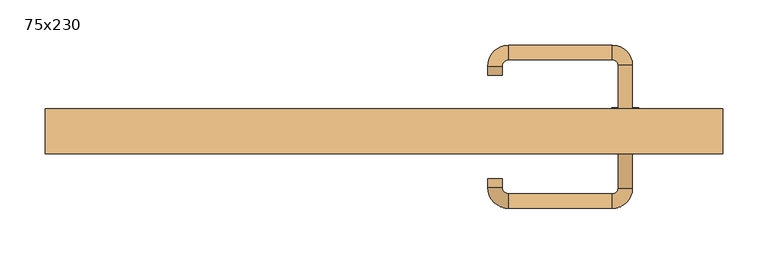
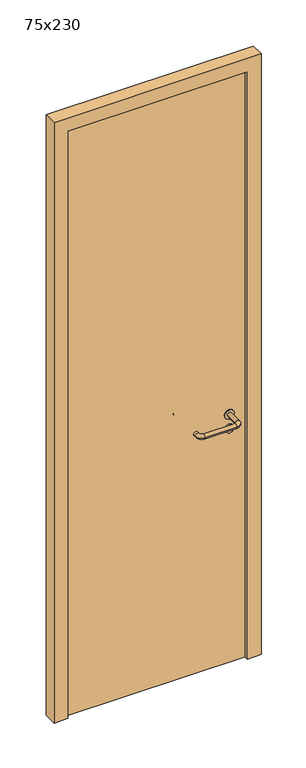
"""IFC4 building model written with IfcOpenShell, lengths in millimetres: door geometry, 75x230."""

from ifc_helpers import new_model, si_unit, point, frame, frame_2d, origin, origin_with_axes, place, context, project, spatial, polyline, circle_curve, ellipse_curve, trimmed, segment, composite_curve, outline, extrude, source, transform, mapped, element, save
from ifc_brep_helpers import plane_surface, cylinder_surface, revolved_surface, advanced_brep


def door_75x230_545e2dc5(model_context):
    return source(origin(), model_context, "Body", "SolidModel", [
        extrude(outline(composite_curve([segment(trimmed(circle_curve(frame_2d((897.3605726, 267.0)), 15.0), [point((897.3605726, 282.0))], [point((897.3605726, 252.0))], False, "CARTESIAN"), True, "CONTINUOUS"), segment(trimmed(circle_curve(frame_2d((897.3605726, 267.0)), 15.0), [point((897.3605726, 252.0))], [point((897.3605726, 282.0))], False, "CARTESIAN"), True, "CONTINUOUS")], self_intersect=False), holes=[composite_curve([segment(trimmed(circle_curve(frame_2d((892.5833211, 266.9398032)), 2.0), [point((892.5833211, 268.9398032))], [point((892.5833211, 264.9398032))], True, "CARTESIAN"), True, "CONTINUOUS"), segment(polyline([(892.5833211, 264.9398032), (902.5833211, 264.9398032)]), True, "CONTINUOUS"), segment(trimmed(circle_curve(frame_2d((902.5833211, 266.9398032)), 2.0), [point((902.5833211, 264.9398032))], [point((902.5833211, 268.9398032))], True, "CARTESIAN"), True, "CONTINUOUS"), segment(polyline([(902.5833211, 268.9398032), (892.5833211, 268.9398032)]), True, "CONTINUOUS")], self_intersect=False)]), frame((0.0, 8.65, 0.0), z_axis=(0.0, 1.0, 0.0), x_axis=(0.0, 0.0, 1.0)), (0.0, 0.0, 1.0), 6.35),
        extrude(outline(composite_curve([segment(trimmed(circle_curve(frame_2d((950.0, 267.0)), 17.526), [point((950.0, 284.526))], [point((950.0, 249.474))], False, "CARTESIAN"), True, "CONTINUOUS"), segment(trimmed(circle_curve(frame_2d((950.0, 267.0)), 17.526), [point((950.0, 249.474))], [point((950.0, 284.526))], False, "CARTESIAN"), True, "CONTINUOUS")], self_intersect=False)), frame((0.0, 11.825, 0.0), z_axis=(0.0, 1.0, 0.0), x_axis=(0.0, 0.0, 1.0)), (0.0, 0.0, 1.0), 3.175),
        advanced_brep(
        [(275.0, 15.0, 950.0), (259.0, 15.0, 950.0), (259.0, -38.0, 950.0), (275.0, -38.0, 950.0), (252.8578644, -44.1421356, 950.0), (252.8578644, -60.1421356, 950.0), (137.8578644, -44.1421356, 950.0), (137.8578644, -60.1421356, 950.0), (131.008622, -37.2928932, 950.0), (115.008622, -37.2928932, 950.0), (115.008622, -27.2928932, 950.0), (131.008622, -27.2928932, 950.0)],
        [
            (0, 1, circle_curve(frame((267.0, 15.0, 950.0), z_axis=(0.0, 1.0, 0.0), x_axis=(-1.0, 0.0, 0.0)), 8.0)),
            (1, 0, circle_curve(frame((267.0, 15.0, 950.0), z_axis=(0.0, 1.0, 0.0), x_axis=(-1.0, 0.0, 0.0)), 8.0)),
            (1, 2),
            (2, 3, circle_curve(frame((267.0, -38.0, 950.0), z_axis=(0.0, 1.0, 0.0), x_axis=(-1.0, 0.0, 0.0)), 8.0)),
            (3, 0),
            (3, 2, circle_curve(frame((267.0, -38.0, 950.0), z_axis=(0.0, 1.0, 0.0), x_axis=(-1.0, 0.0, 0.0)), 8.0)),
            (4, 5, circle_curve(frame((252.8578644, -52.1421356, 950.0), z_axis=(1.0, 0.0, 0.0), x_axis=(0.0, 1.0, 0.0)), 8.0)),
            (5, 3, circle_curve(frame((252.8578644, -38.0, 950.0), z_axis=(0.0, 0.0, 1.0), x_axis=(1.0, 0.0, 0.0)), 22.1421356)),
            (2, 4, circle_curve(frame((252.8578644, -38.0, 950.0), z_axis=(0.0, 0.0, -1.0), x_axis=(1.0, 0.0, 0.0)), 6.1421356)),
            (5, 4, circle_curve(frame((252.8578644, -52.1421356, 950.0), z_axis=(1.0, 0.0, 0.0), x_axis=(0.0, 1.0, 0.0)), 8.0)),
            (4, 6),
            (6, 7, circle_curve(frame((137.8578644, -52.1421356, 950.0), z_axis=(1.0, 0.0, 0.0), x_axis=(0.0, 1.0, 0.0)), 8.0)),
            (7, 5),
            (7, 6, circle_curve(frame((137.8578644, -52.1421356, 950.0), z_axis=(1.0, 0.0, 0.0), x_axis=(0.0, 1.0, 0.0)), 8.0)),
            (8, 9, circle_curve(frame((123.008622, -37.2928932, 950.0), z_axis=(0.0, -1.0, 0.0), x_axis=(1.0, 0.0, 0.0)), 8.0)),
            (9, 7, circle_curve(frame((137.8578644, -37.2928932, 950.0), z_axis=(0.0, 0.0, 1.0), x_axis=(0.0, -1.0, 0.0)), 22.8492424)),
            (6, 8, circle_curve(frame((137.8578644, -37.2928932, 950.0), z_axis=(0.0, 0.0, -1.0), x_axis=(0.0, -1.0, 0.0)), 6.8492424)),
            (9, 8, circle_curve(frame((123.008622, -37.2928932, 950.0), z_axis=(0.0, -1.0, 0.0), x_axis=(1.0, 0.0, 0.0)), 8.0)),
            (10, 11, circle_curve(frame((123.008622, -27.2928932, 950.0), z_axis=(0.0, 1.0, 0.0), x_axis=(1.0, 0.0, 0.0)), 8.0)),
            (11, 10, circle_curve(frame((123.008622, -27.2928932, 950.0), z_axis=(0.0, 1.0, 0.0), x_axis=(1.0, 0.0, 0.0)), 8.0)),
            (8, 11),
            (10, 9),
        ],
        [
            plane_surface(frame((267.0, 15.0, 170.0), z_axis=(0.0, 1.0, 0.0), x_axis=(0.0, 0.0, 1.0))),
            cylinder_surface(frame((267.0, 15.0, 950.0), z_axis=(0.0, 1.0, 0.0), x_axis=(-1.0, 0.0, 0.0)), 8.0),
            revolved_surface(trimmed(ellipse_curve(frame((267.0, -38.0, 950.0), z_axis=(0.0, -1.0, 0.0), x_axis=(-1.0, 0.0, 0.0)), 8.0, 8.0), [point((275.0, -38.0, 950.0))], [point((259.0, -38.0, 950.0))], True, "CARTESIAN"), (252.8578644, -38.0, 170.0), (0.0, 0.0, 1.0)),
            revolved_surface(trimmed(ellipse_curve(frame((267.0, -38.0, 950.0), z_axis=(0.0, -1.0, 0.0), x_axis=(-1.0, 0.0, 0.0)), 8.0, 8.0), [point((259.0, -38.0, 950.0))], [point((275.0, -38.0, 950.0))], True, "CARTESIAN"), (252.8578644, -38.0, 170.0), (0.0, 0.0, 1.0)),
            cylinder_surface(frame((252.8578644, -52.1421356, 950.0), z_axis=(1.0, 0.0, 0.0), x_axis=(0.0, 1.0, 0.0)), 8.0),
            revolved_surface(trimmed(ellipse_curve(frame((137.8578644, -52.1421356, 950.0), z_axis=(-1.0, 0.0, 0.0), x_axis=(0.0, 1.0, 0.0)), 8.0, 8.0), [point((137.8578644, -60.1421356, 950.0))], [point((137.8578644, -44.1421356, 950.0))], True, "CARTESIAN"), (137.8578644, -37.2928932, 170.0), (0.0, 0.0, 1.0)),
            revolved_surface(trimmed(ellipse_curve(frame((137.8578644, -52.1421356, 950.0), z_axis=(-1.0, 0.0, 0.0), x_axis=(0.0, 1.0, 0.0)), 8.0, 8.0), [point((137.8578644, -44.1421356, 950.0))], [point((137.8578644, -60.1421356, 950.0))], True, "CARTESIAN"), (137.8578644, -37.2928932, 170.0), (0.0, 0.0, 1.0)),
            plane_surface(frame((123.008622, -27.2928932, 170.0), z_axis=(0.0, 1.0, 0.0), x_axis=(0.0, 0.0, 1.0))),
            cylinder_surface(frame((123.008622, -37.2928932, 950.0), z_axis=(0.0, -1.0, 0.0), x_axis=(1.0, 0.0, 0.0)), 8.0),
        ],
        [
            (0, [[1, 2]]),
            (1, [[3, 4, 5, -2]]),
            (1, [[-5, 6, -3, -1]]),
            (2, [[7, 8, -4, 9]]),
            (3, [[10, -9, -6, -8]]),
            (4, [[11, 12, 13, -7]]),
            (4, [[-13, 14, -11, -10]]),
            (5, [[15, 16, -12, 17]]),
            (6, [[18, -17, -14, -16]]),
            (7, [[19, 20]]),
            (8, [[21, -19, 22, -15]]),
            (8, [[-22, -20, -21, -18]]),
        ],
    ),
        extrude(outline(composite_curve([segment(trimmed(circle_curve(frame_2d((0.0, -15.0)), 15.0), [point((0.0, -30.0))], [point((0.0, 0.0))], False, "CARTESIAN"), True, "CONTINUOUS"), segment(trimmed(circle_curve(frame_2d((0.0, -15.0)), 15.0), [point((0.0, 0.0))], [point((0.0, -30.0))], False, "CARTESIAN"), True, "CONTINUOUS")], self_intersect=False), holes=[composite_curve([segment(trimmed(circle_curve(frame_2d((4.7772515, -14.9398032)), 2.0), [point((4.7772515, -16.9398032))], [point((4.7772515, -12.9398032))], True, "CARTESIAN"), True, "CONTINUOUS"), segment(polyline([(4.7772515, -12.9398032), (-5.2227485, -12.9398032)]), True, "CONTINUOUS"), segment(trimmed(circle_curve(frame_2d((-5.2227485, -14.9398032)), 2.0), [point((-5.2227485, -12.9398032))], [point((-5.2227485, -16.9398032))], True, "CARTESIAN"), True, "CONTINUOUS"), segment(polyline([(-5.2227485, -16.9398032), (4.7772515, -16.9398032)]), True, "CONTINUOUS")], self_intersect=False)]), frame((252.0, 45.0, 897.3605726), z_axis=(1.8870575173328306e-12, 1.0, 0.0), x_axis=(0.0, 0.0, -1.0)), (0.0, 0.0, 1.0), 6.35),
        extrude(outline(composite_curve([segment(trimmed(circle_curve(frame_2d((0.0, -17.526)), 17.526), [point((0.0, -35.052))], [point((0.0, 0.0))], False, "CARTESIAN"), True, "CONTINUOUS"), segment(trimmed(circle_curve(frame_2d((0.0, -17.526)), 17.526), [point((0.0, 0.0))], [point((0.0, -35.052))], False, "CARTESIAN"), True, "CONTINUOUS")], self_intersect=False)), frame((249.474, 45.0, 950.0), z_axis=(1.8870575173328306e-12, 1.0, 0.0), x_axis=(0.0, 0.0, -1.0)), (0.0, 0.0, 1.0), 3.175),
        advanced_brep(
        [(275.0, 45.0, 950.0), (259.0, 45.0, 950.0), (275.0, 98.0, 950.0), (259.0, 98.0, 950.0), (252.8578644, 104.1421356, 950.0), (252.8578644, 120.1421356, 950.0), (137.8578644, 120.1421356, 950.0), (137.8578644, 104.1421356, 950.0), (131.008622, 97.2928932, 950.0), (115.008622, 97.2928932, 950.0), (115.008622, 87.2928932, 950.0), (131.008622, 87.2928932, 950.0)],
        [
            (0, 1, circle_curve(frame((267.0, 45.0, 950.0), z_axis=(-1.888672253512351e-12, -1.0, 0.0), x_axis=(-1.0, 1.888672253512351e-12, 0.0)), 8.0)),
            (1, 0, circle_curve(frame((267.0, 45.0, 950.0), z_axis=(-1.888672253512351e-12, -1.0, 0.0), x_axis=(-1.0, 1.888672253512351e-12, 0.0)), 8.0)),
            (0, 2),
            (2, 3, circle_curve(frame((267.0, 98.0, 950.0), z_axis=(-1.888672253512351e-12, -1.0, 0.0), x_axis=(-1.0, 1.888672253512351e-12, 0.0)), 8.0)),
            (3, 1),
            (3, 2, circle_curve(frame((267.0, 98.0, 950.0), z_axis=(-1.888672253512351e-12, -1.0, 0.0), x_axis=(-1.0, 1.888672253512351e-12, 0.0)), 8.0)),
            (4, 3, circle_curve(frame((252.8578644, 98.0, 950.0), z_axis=(0.0, 0.0, -1.0), x_axis=(1.0, -1.880717803715015e-12, 0.0)), 6.1421356)),
            (2, 5, circle_curve(frame((252.8578644, 98.0, 950.0), z_axis=(0.0, 0.0, 1.0), x_axis=(1.0, -1.880717803715015e-12, 0.0)), 22.1421356)),
            (5, 4, circle_curve(frame((252.8578644, 112.1421356, 950.0), z_axis=(1.0, -1.913702061528922e-12, 0.0), x_axis=(-1.913702061528922e-12, -1.0, 0.0)), 8.0)),
            (4, 5, circle_curve(frame((252.8578644, 112.1421356, 950.0), z_axis=(1.0, -1.913702061528922e-12, 0.0), x_axis=(-1.913702061528922e-12, -1.0, 0.0)), 8.0)),
            (5, 6),
            (6, 7, circle_curve(frame((137.8578644, 112.1421356, 950.0), z_axis=(1.0, -1.913719828541269e-12, 0.0), x_axis=(-1.913719828541269e-12, -1.0, 0.0)), 8.0)),
            (7, 4),
            (7, 6, circle_curve(frame((137.8578644, 112.1421356, 950.0), z_axis=(1.0, -1.913719828541269e-12, 0.0), x_axis=(-1.913719828541269e-12, -1.0, 0.0)), 8.0)),
            (8, 7, circle_curve(frame((137.8578644, 97.2928932, 950.0), z_axis=(0.0, 0.0, -1.0), x_axis=(1.9120873253494017e-12, 1.0, 0.0)), 6.8492424)),
            (6, 9, circle_curve(frame((137.8578644, 97.2928932, 950.0), z_axis=(0.0, 0.0, 1.0), x_axis=(1.9120873253494017e-12, 1.0, 0.0)), 22.8492424)),
            (9, 8, circle_curve(frame((123.008622, 97.2928932, 950.0), z_axis=(1.890670654956676e-12, 1.0, 0.0), x_axis=(1.0, -1.890670654956676e-12, 0.0)), 8.0)),
            (8, 9, circle_curve(frame((123.008622, 97.2928932, 950.0), z_axis=(1.890226565746826e-12, 1.0, 0.0), x_axis=(1.0, -1.890226565746826e-12, 0.0)), 8.0)),
            (10, 11, circle_curve(frame((123.008622, 87.2928932, 950.0), z_axis=(-1.8903642334018795e-12, -1.0, 0.0), x_axis=(1.0, -1.8903642334018795e-12, 0.0)), 8.0)),
            (11, 10, circle_curve(frame((123.008622, 87.2928932, 950.0), z_axis=(-1.8903642334018795e-12, -1.0, 0.0), x_axis=(1.0, -1.8903642334018795e-12, 0.0)), 8.0)),
            (9, 10),
            (11, 8),
        ],
        [
            plane_surface(frame((267.0, 45.0, 170.0), z_axis=(-1.8870575173328306e-12, -1.0, 0.0), x_axis=(0.0, 0.0, 1.0))),
            cylinder_surface(frame((267.0, 45.0, 950.0), z_axis=(-1.888672253512351e-12, -1.0, 0.0), x_axis=(-1.0, 1.888672253512351e-12, 0.0)), 8.0),
            revolved_surface(trimmed(ellipse_curve(frame((267.0, 98.0, 950.0), z_axis=(-1.8823325398945356e-12, -1.0, 0.0), x_axis=(-1.0, 1.8823325398945356e-12, 0.0)), 8.0, 8.0), [point((275.0, 98.0, 950.0))], [point((259.0, 98.0, 950.0))], True, "CARTESIAN"), (252.8578644, 98.0, 170.0), (0.0, 0.0, 1.0)),
            revolved_surface(trimmed(ellipse_curve(frame((267.0, 98.0, 950.0), z_axis=(-1.8823325398945356e-12, -1.0, 0.0), x_axis=(-1.0, 1.8823325398945356e-12, 0.0)), 8.0, 8.0), [point((259.0, 98.0, 950.0))], [point((275.0, 98.0, 950.0))], True, "CARTESIAN"), (252.8578644, 98.0, 170.0), (0.0, 0.0, 1.0)),
            cylinder_surface(frame((252.8578644, 112.1421356, 950.0), z_axis=(1.0, -1.913719828541269e-12, 0.0), x_axis=(-1.913719828541269e-12, -1.0, 0.0)), 8.0),
            revolved_surface(trimmed(ellipse_curve(frame((137.8578644, 112.1421356, 950.0), z_axis=(1.0, -1.913702061528922e-12, 0.0), x_axis=(-1.913702061528922e-12, -1.0, 0.0)), 8.0, 8.0), [point((137.8578644, 120.1421356, 950.0))], [point((137.8578644, 104.1421356, 950.0))], True, "CARTESIAN"), (137.8578644, 97.2928932, 170.0), (0.0, 0.0, 1.0)),
            revolved_surface(trimmed(ellipse_curve(frame((137.8578644, 112.1421356, 950.0), z_axis=(1.0, -1.913702061528922e-12, 0.0), x_axis=(-1.913702061528922e-12, -1.0, 0.0)), 8.0, 8.0), [point((137.8578644, 104.1421356, 950.0))], [point((137.8578644, 120.1421356, 950.0))], True, "CARTESIAN"), (137.8578644, 97.2928932, 170.0), (0.0, 0.0, 1.0)),
            plane_surface(frame((123.008622, 87.2928932, 170.0), z_axis=(-1.8887494972223595e-12, -1.0, 0.0), x_axis=(0.0, 0.0, 1.0))),
            cylinder_surface(frame((123.008622, 97.2928932, 950.0), z_axis=(1.8903642334018795e-12, 1.0, 0.0), x_axis=(1.0, -1.8903642334018795e-12, 0.0)), 8.0),
        ],
        [
            (0, [[1, 2]]),
            (1, [[-1, 3, 4, 5]]),
            (1, [[-2, -5, 6, -3]]),
            (2, [[7, -4, 8, 9]]),
            (3, [[-8, -6, -7, 10]]),
            (4, [[-9, 11, 12, 13]]),
            (4, [[-10, -13, 14, -11]]),
            (5, [[15, -12, 16, 17]]),
            (6, [[-16, -14, -15, 18]]),
            (7, [[19, 20]]),
            (8, [[-17, 21, -20, 22]]),
            (8, [[-18, -22, -19, -21]]),
        ],
    ),
        extrude(outline(polyline([(2250.0, 325.0), (0.0, 325.0), (0.0, 375.0), (2300.0, 375.0), (2300.0, -375.0), (0.0, -375.0), (0.0, -325.0), (2250.0, -325.0), (2250.0, 325.0)])), frame((0.0, 0.0, 0.0), z_axis=(0.0, 1.0, 0.0), x_axis=(0.0, 0.0, 1.0)), (0.0, 0.0, 1.0), 50.0),
        extrude(outline(polyline([(-325.0, 45.0), (325.0, 45.0), (325.0, 15.0), (-325.0, 15.0), (-325.0, 45.0)])), origin_with_axes(), (0.0, 0.0, 1.0), 2250.0),
    ])


if __name__ == "__main__":
    model = new_model("IFC4")
    model_context = context("Model", 3, world=origin())
    ifc_project = project(units=[si_unit("LENGTHUNIT", "METRE", prefix="MILLI")], contexts=[model_context])
    site = spatial("IfcSite", under=ifc_project)
    building = spatial("IfcBuilding", under=site)
    placement = place(None, origin())
    door_75x230_shape = door_75x230_545e2dc5(model_context)
    element("IfcDoor", 1, ObjectType="75x230", at=placement, inside=building, context=model_context, shape_type="MappedRepresentation", body=[
        mapped(door_75x230_shape, transform((0.0, 0.0, 0.0), x_axis=(1.0, 0.0, 0.0), y_axis=(0.0, 1.0, 0.0), z_axis=(0.0, 0.0, 1.0))),
    ])
    save(model, "model.ifc")
